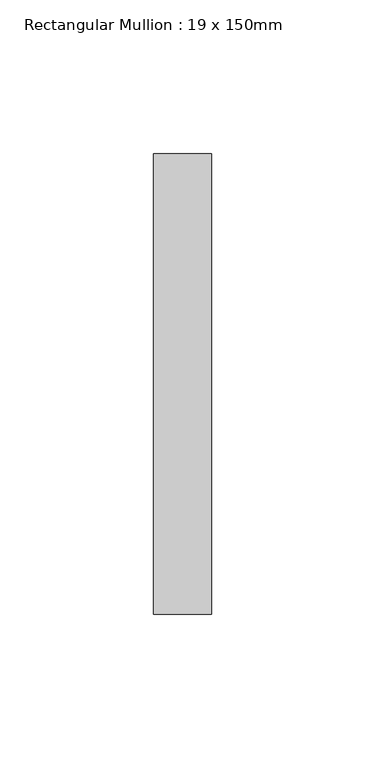
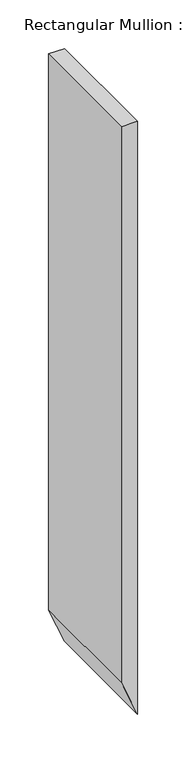
"""IFC4 building model written with IfcOpenShell, lengths in millimetres: member geometry, Rectangular Mullion : 19 x 150mm."""

from ifc_helpers import new_model, si_unit, frame, origin, place, context, project, spatial, polyline, outline, extrude, source, transform, mapped, element, save


def rectangular_mullion_19_x_150mm_791ba866(model_context):
    return source(origin(), model_context, "Body", "SweptSolid", [
        extrude(outline(polyline([(0.0, 0.0), (0.0, -19.0), (-697.660581, -19.0), (-743.2954008, 0.0), (0.0, 0.0)])), frame((0.0, -175.0, 0.0), z_axis=(0.0, 1.0, 0.0), x_axis=(0.0, 0.0, 1.0)), (0.0, 0.0, 1.0), 150.0),
    ])


if __name__ == "__main__":
    model = new_model("IFC4")
    model_context = context("Model", 3, world=origin())
    ifc_project = project(units=[si_unit("LENGTHUNIT", "METRE", prefix="MILLI")], contexts=[model_context])
    site = spatial("IfcSite", under=ifc_project)
    building = spatial("IfcBuilding", under=site)
    placement = place(None, origin())
    rectangular_mullion_19_x_150mm_shape = rectangular_mullion_19_x_150mm_791ba866(model_context)
    element("IfcMember", 1, ObjectType="Rectangular Mullion : 19 x 150mm", at=placement, inside=building, context=model_context, shape_type="MappedRepresentation", body=[
        mapped(rectangular_mullion_19_x_150mm_shape, transform((0.0, 0.0, 0.0), x_axis=(1.0, 0.0, 0.0), y_axis=(0.0, 1.0, 0.0), z_axis=(0.0, 0.0, 1.0))),
    ])
    save(model, "model.ifc")
